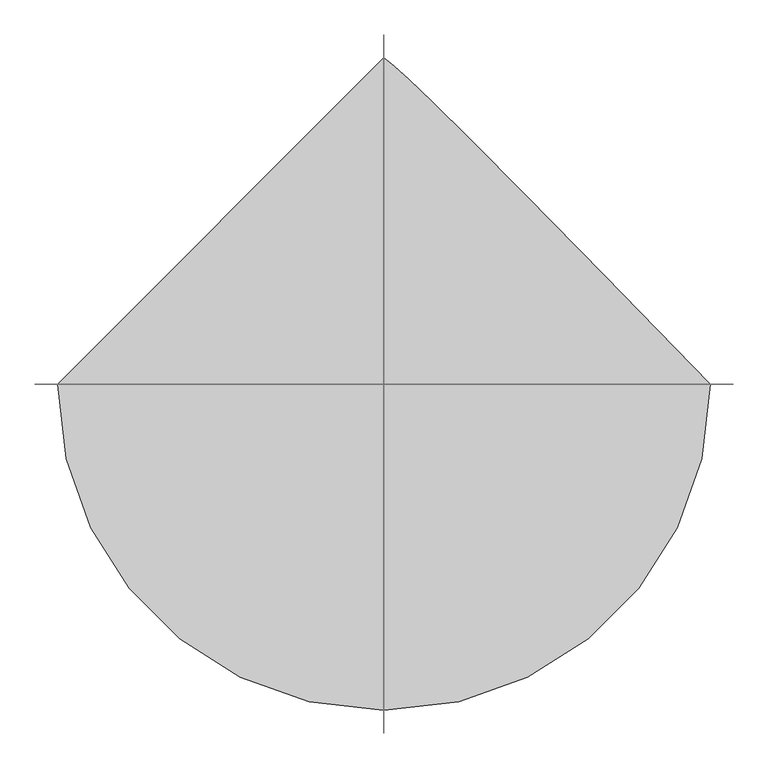
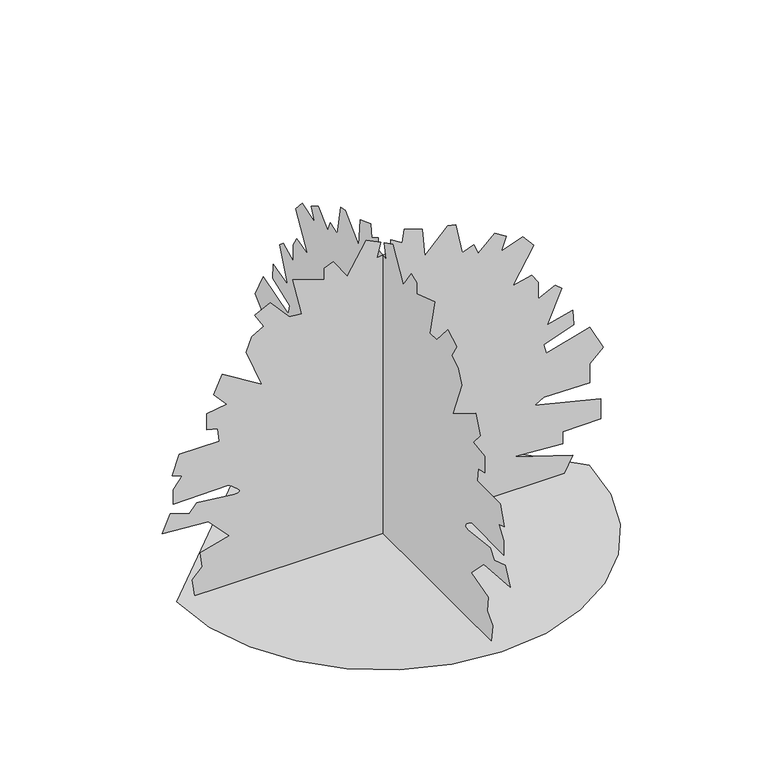
"""IFC4 building model written with IfcOpenShell, lengths in millimetres: geographic element geometry."""

from ifc_helpers import new_model, si_unit, origin, place, context, project, spatial, triangles, source, transform, mapped, element, save


def geographic_element_7d24af7f(model_context):
    return source(origin(), model_context, "Body", "Tessellation", [
        triangles([(-626.2562508, 0.0, 4.92e-05), (-609.701302, -143.4965554, 4.92e-05), (-562.5475668, -275.275058, 4.92e-05), (-488.5770092, -391.5614193, 4.92e-05), (-391.5614193, -488.5770092, 4.92e-05), (-275.275058, -562.5475668, 4.92e-05), (-143.4965554, -609.701302, 4.92e-05), (2.74e-05, -626.2562508, 4.92e-05), (143.4965554, -609.701302, 4.92e-05), (275.275058, -562.5475668, 4.92e-05), (391.5614193, -488.5770092, 4.92e-05), (488.5770092, -391.5614193, 4.92e-05), (562.5475668, -275.275058, 4.92e-05), (609.701302, -143.4965554, 4.92e-05), (626.2562508, 5.47e-05, 4.92e-05), (422.7361516, 208.7611673, 4.92e-05), (271.8569527, 362.4633044, 4.92e-05), (164.8456975, 470.2814326, 4.92e-05), (92.9272766, 541.3922084, 4.92e-05), (47.3290288, 584.9762123, 4.92e-05), (19.2778181, 610.2040329, 4.92e-05), (-8.21e-05, 626.2562508, 4.92e-05), (-2.3e-06, -570.697469, 0.0), (-2.3e-06, -578.9484189, 55.0070122), (-2.3e-06, -548.695796, 85.2609204), (-2.3e-06, -554.1955693, 132.0169782), (0.0, -466.183754, 156.8979086), (0.0, -529.4427197, 222.9062705), (0.0, -669.7113745, 233.9076339), (0.0, -644.9560541, 288.9146324), (0.0, -587.1993688, 269.6615743), (0.0, -565.1976957, 297.1655823), (0.0, -449.6818542, 283.4148409), (0.0, -438.9854141, 284.4556931), (0.0, -434.4961533, 287.3760999), (0.0, -435.1782701, 291.8578031), (0.0, -439.9959629, 297.5900113), (0.0, -447.9184808, 304.2620059), (0.0, -457.9100584, 311.5580177), (0.0, -468.9349305, 319.1697988), (0.0, -636.7051043, 316.4186585), (0.0, -636.7051043, 363.1731812), (0.0, -609.2035852, 398.9281571), (0.0, -639.4562445, 409.9302472), (0.0, -617.4545351, 470.4380728), (0.0, -496.4389203, 470.4380728), (0.0, -501.93873, 511.6928221), (0.0, -534.9425294, 519.9437719), (0.0, -534.9425294, 572.2006476), (0.0, -474.4347038, 580.4515975), (0.0, -512.94082, 624.4575233), (0.0, -488.1879704, 682.2141724), (0.0, -367.1723557, 607.9555873), (0.0, -413.9268783, 726.2200619), (0.0, -397.4249785, 770.2259514), (0.0, -361.6700389, 792.2302042), (0.0, -389.1740287, 836.2335503), (0.0, -342.4195061, 860.9889433), (0.0, -284.6603136, 794.978801), (0.0, -246.1564683, 792.2302042), (0.0, -273.6607306, 910.4946424), (0.0, -177.3977111, 877.490843), (0.0, -177.3977111, 913.2433119), (0.0, -149.8942027, 924.245402), (0.0, -108.6386904, 863.7376127), (0.0, -50.8815372, 960.0003416), (0.0, -6.875826, 937.9987049), (0.0, -17.8772779, 891.2416025), (0.0, 23.3780039, 896.7414122), (0.0, 23.3780039, 935.247492), (0.0, 59.1324871, 913.2433119), (0.0, 64.6332869, 954.5006046), (0.0, 119.640299, 935.247492), (0.0, 127.8915032, 847.235713), (0.0, 196.6502605, 918.7455923), (0.0, 221.4033644, 913.2433119), (0.0, 240.6559138, 816.9830538), (0.0, 276.4093637, 830.7338133), (0.0, 290.1626304, 797.7300138), (0.0, 339.6683295, 844.4845001), (0.0, 375.4233055, 822.4828634), (0.0, 358.9214058, 781.2281141), (0.0, 424.9290047, 803.2297508), (0.0, 457.9328041, 764.7262144), (0.0, 394.6763454, 657.4613228), (0.0, 452.4330308, 671.2145531), (0.0, 471.6860707, 640.9594231), (0.0, 471.6860707, 588.7025474), (0.0, 523.9429464, 613.4553606), (0.0, 543.1934793, 596.9534972), (0.0, 499.1875534, 495.1909224), (0.0, 576.1972787, 514.4439986), (0.0, 578.9484189, 467.6868962), (0.0, 488.1879704, 434.6830968), (0.0, 496.4389203, 404.4304739), (0.0, 628.4541544, 442.9340466), (0.0, 669.7113745, 363.1731812), (0.0, 628.4541544, 324.6696084), (0.0, 628.4541544, 264.1617828), (0.0, 488.1879704, 266.9129412), (0.0, 460.6839807, 250.4097698), (0.0, 661.4604246, 200.9035619), (0.0, 661.4604246, 137.6453592), (0.0, 545.9446195, 134.8949548), (0.0, 545.9446195, 96.3901012), (0.0, 397.4249785, 107.3914555), (0.0, 576.1972787, 49.6342932), (0.0, 551.4444291, 0.1278526), (-570.697469, 9.9e-05, 4.83e-05), (-578.9484189, 9.57e-05, 55.0070122), (-548.695796, 9.39e-05, 85.2609204), (-554.1955693, 9.12e-05, 132.0169782), (-466.183754, 8.74e-05, 156.8979086), (-529.4427197, 8.35e-05, 222.9062705), (-669.7113745, 8.28e-05, 233.9076339), (-644.9560541, 7.95e-05, 288.9146324), (-587.1993688, 8.07e-05, 269.6615743), (-565.1976957, 7.91e-05, 297.1655823), (-449.6818542, 7.99e-05, 283.4148409), (-438.9854141, 7.98e-05, 284.4556931), (-434.4961533, 7.96e-05, 287.3760999), (-435.1782701, 7.94e-05, 291.8578031), (-439.9959629, 7.9e-05, 297.5900113), (-447.9184808, 7.86e-05, 304.2620059), (-457.9100584, 7.82e-05, 311.5580177), (-468.9349305, 7.77e-05, 319.1697988), (-636.7051043, 7.79e-05, 316.4186585), (-636.7051043, 7.51e-05, 363.1731812), (-609.2035852, 7.3e-05, 398.9281571), (-639.4562445, 7.23e-05, 409.9302472), (-617.4545351, 6.87e-05, 470.4380728), (-496.4389203, 6.87e-05, 470.4380728), (-501.93873, 6.63e-05, 511.6928221), (-534.9425294, 6.58e-05, 519.9437719), (-534.9425294, 6.27e-05, 572.2006476), (-474.4347038, 6.22e-05, 580.4515975), (-512.94082, 5.95e-05, 624.4575233), (-488.1879704, 5.61e-05, 682.2141724), (-367.1723557, 6.05e-05, 607.9555873), (-413.9268783, 5.35e-05, 726.2200619), (-397.4249785, 5.09e-05, 770.2259514), (-361.6700389, 4.95e-05, 792.2302042), (-389.1740287, 4.69e-05, 836.2335503), (-342.4195061, 4.54e-05, 860.9889433), (-284.6603136, 4.94e-05, 794.978801), (-246.1564683, 4.95e-05, 792.2302042), (-273.6607306, 4.25e-05, 910.4946424), (-177.3977111, 4.45e-05, 877.490843), (-177.3977111, 4.23e-05, 913.2433119), (-149.8942027, 4.17e-05, 924.245402), (-108.6389447, 4.53e-05, 863.7376127), (-50.8815372, 3.95e-05, 960.0003416), (-6.8759015, 4.09e-05, 937.9987049), (-17.877354, 4.36e-05, 891.2416025), (23.3779539, 4.33e-05, 896.7414122), (23.3779539, 4.1e-05, 935.247492), (59.1324871, 4.23e-05, 913.2433119), (64.6332869, 3.99e-05, 954.5006046), (119.640299, 4.1e-05, 935.247492), (127.8912489, 4.63e-05, 847.235713), (196.6500062, 4.2e-05, 918.7455923), (221.4033644, 4.23e-05, 913.2433119), (240.6556777, 4.81e-05, 816.9830538), (276.4093637, 4.72e-05, 830.7338133), (290.1626304, 4.92e-05, 797.7300138), (339.6683295, 4.64e-05, 844.4845001), (375.4233055, 4.77e-05, 822.4828634), (358.9214058, 5.02e-05, 781.2281141), (424.9290047, 4.89e-05, 803.2297508), (457.9328041, 5.12e-05, 764.7262144), (394.6763454, 5.76e-05, 657.4613228), (452.4330308, 5.68e-05, 671.2145531), (471.6860707, 5.86e-05, 640.9594231), (471.6860707, 6.17e-05, 588.7025474), (523.9429464, 6.02e-05, 613.4553606), (543.1934793, 6.12e-05, 596.9534972), (499.1875534, 6.72e-05, 495.1909224), (576.1972787, 6.61e-05, 514.4439986), (578.9484189, 6.89e-05, 467.6868962), (488.1879704, 7.09e-05, 434.6830968), (496.4389203, 7.27e-05, 404.4304739), (628.4541544, 7.04e-05, 442.9340466), (669.7113745, 7.51e-05, 363.1731812), (628.4541544, 7.74e-05, 324.6696084), (628.4541544, 8.1e-05, 264.1617828), (488.1879704, 8.09e-05, 266.9129412), (460.6839807, 8.18e-05, 250.4097698), (661.4604246, 8.48e-05, 200.9035619), (661.4604246, 8.86e-05, 137.6453592), (545.9446195, 8.87e-05, 134.8952091), (545.9446195, 9.1e-05, 96.3901012), (397.4249785, 9.04e-05, 107.3917007), (576.1972787, 9.38e-05, 49.6342932), (551.4444291, 9.68e-05, 0.1279008)], [[21, 22, 1], [20, 21, 1], [19, 20, 1], [18, 19, 1], [17, 18, 1], [17, 1, 2], [17, 2, 3], [17, 3, 4], [16, 17, 4], [16, 4, 5], [16, 5, 6], [16, 6, 7], [16, 7, 8], [16, 8, 9], [16, 9, 10], [16, 10, 11], [16, 11, 12], [15, 16, 12], [14, 15, 12], [13, 14, 12], [60, 61, 62], [69, 70, 71], [28, 29, 30], [28, 30, 31], [71, 72, 73], [71, 73, 74], [91, 92, 93], [91, 93, 94], [106, 107, 108], [106, 108, 23], [51, 52, 53], [50, 51, 53], [104, 105, 106], [56, 57, 58], [56, 58, 59], [98, 99, 100], [40, 41, 42], [40, 42, 43], [43, 44, 45], [43, 45, 46], [40, 43, 46], [28, 31, 32], [102, 103, 104], [101, 102, 104], [101, 104, 106], [77, 78, 79], [106, 23, 24], [106, 24, 25], [65, 66, 67], [65, 67, 68], [106, 25, 26], [106, 26, 27], [48, 49, 50], [47, 48, 50], [80, 81, 82], [79, 80, 82], [95, 96, 97], [95, 97, 98], [95, 98, 100], [63, 64, 65], [62, 63, 65], [89, 90, 91], [88, 89, 91], [27, 28, 32], [27, 32, 33], [106, 27, 33], [106, 33, 34], [106, 34, 35], [101, 106, 35], [101, 35, 36], [83, 84, 85], [82, 83, 85], [85, 86, 87], [85, 87, 88], [69, 71, 74], [75, 76, 77], [74, 75, 77], [60, 62, 65], [79, 82, 85], [95, 100, 101], [95, 101, 36], [94, 95, 36], [91, 94, 36], [88, 91, 36], [85, 88, 36], [79, 85, 36], [77, 79, 36], [74, 77, 36], [69, 74, 36], [68, 69, 36], [65, 68, 36], [60, 65, 36], [60, 36, 37], [60, 37, 38], [59, 60, 38], [59, 38, 39], [59, 39, 40], [47, 50, 53], [46, 47, 53], [40, 46, 53], [59, 40, 53], [59, 53, 54], [56, 59, 54], [56, 54, 55], [146, 147, 148], [155, 156, 157], [114, 115, 116], [114, 116, 117], [157, 158, 159], [157, 159, 160], [177, 178, 179], [177, 179, 180], [192, 193, 194], [192, 194, 109], [137, 138, 139], [136, 137, 139], [190, 191, 192], [142, 143, 144], [142, 144, 145], [184, 185, 186], [126, 127, 128], [126, 128, 129], [129, 130, 131], [129, 131, 132], [126, 129, 132], [114, 117, 118], [188, 189, 190], [187, 188, 190], [187, 190, 192], [163, 164, 165], [192, 109, 110], [192, 110, 111], [151, 152, 153], [151, 153, 154], [192, 111, 112], [192, 112, 113], [134, 135, 136], [133, 134, 136], [166, 167, 168], [165, 166, 168], [181, 182, 183], [181, 183, 184], [181, 184, 186], [149, 150, 151], [148, 149, 151], [175, 176, 177], [174, 175, 177], [113, 114, 118], [113, 118, 119], [192, 113, 119], [192, 119, 120], [192, 120, 121], [187, 192, 121], [187, 121, 122], [169, 170, 171], [168, 169, 171], [171, 172, 173], [171, 173, 174], [155, 157, 160], [161, 162, 163], [160, 161, 163], [146, 148, 151], [165, 168, 171], [181, 186, 187], [181, 187, 122], [180, 181, 122], [177, 180, 122], [174, 177, 122], [171, 174, 122], [165, 171, 122], [163, 165, 122], [160, 163, 122], [155, 160, 122], [154, 155, 122], [151, 154, 122], [146, 151, 122], [146, 122, 123], [146, 123, 124], [145, 146, 124], [145, 124, 125], [145, 125, 126], [133, 136, 139], [132, 133, 139], [126, 132, 139], [145, 126, 139], [145, 139, 140], [142, 145, 140], [142, 140, 141]], closed=False),
    ])


if __name__ == "__main__":
    model = new_model("IFC4")
    model_context = context("Model", 3, world=origin())
    ifc_project = project(units=[si_unit("LENGTHUNIT", "METRE", prefix="MILLI")], contexts=[model_context])
    site = spatial("IfcSite", under=ifc_project)
    building = spatial("IfcBuilding", under=site)
    placement = place(None, origin())
    geographic_element_shape = geographic_element_7d24af7f(model_context)
    element("IfcGeographicElement", 1, at=placement, inside=building, context=model_context, shape_type="MappedRepresentation", body=[
        mapped(geographic_element_shape, transform((0.0, 0.0, 0.0), x_axis=(1.0, 0.0, 0.0), y_axis=(0.0, 1.0, 0.0), z_axis=(0.0, 0.0, 1.0))),
    ])
    save(model, "model.ifc")
